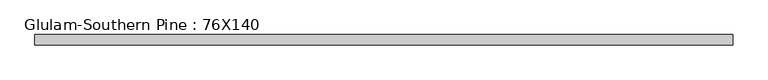
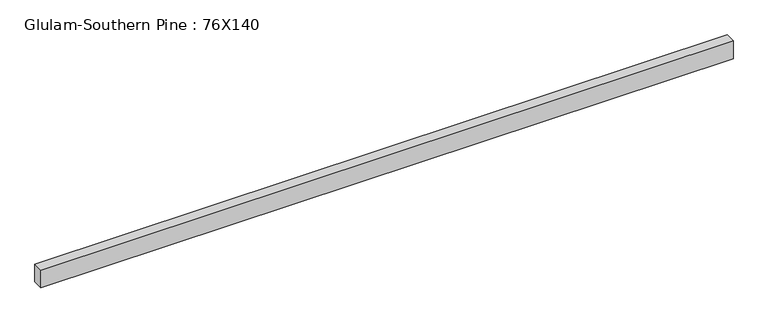
"""IFC4 building model written with IfcOpenShell, lengths in millimetres: member geometry, Glulam-Southern Pine : 76X140."""

from ifc_helpers import new_model, si_unit, frame, origin, place, context, project, spatial, polyline, outline, extrude, source, transform, mapped, element, save


def glulam_southern_pine_76x140_44778fa9(model_context):
    return source(origin(), model_context, "Body", "SweptSolid", [
        extrude(outline(polyline([(2570.0, 38.0), (2570.0, -38.0), (-2570.0, -38.0), (-2570.0, 38.0), (2570.0, 38.0)])), frame((0.0, 0.0, -70.0), z_axis=(0.0, 0.0, 1.0), x_axis=(1.0, 0.0, 0.0)), (0.0, 0.0, 1.0), 140.0),
    ])


if __name__ == "__main__":
    model = new_model("IFC4")
    model_context = context("Model", 3, world=origin())
    ifc_project = project(units=[si_unit("LENGTHUNIT", "METRE", prefix="MILLI")], contexts=[model_context])
    site = spatial("IfcSite", under=ifc_project)
    building = spatial("IfcBuilding", under=site)
    placement = place(None, origin())
    glulam_southern_pine_76x140_shape = glulam_southern_pine_76x140_44778fa9(model_context)
    element("IfcMember", 1, ObjectType="Glulam-Southern Pine : 76X140", at=placement, inside=building, context=model_context, shape_type="MappedRepresentation", body=[
        mapped(glulam_southern_pine_76x140_shape, transform((0.0, 0.0, 0.0), x_axis=(1.0, 0.0, 0.0), y_axis=(0.0, 1.0, 0.0), z_axis=(0.0, 0.0, 1.0))),
    ])
    save(model, "model.ifc")
